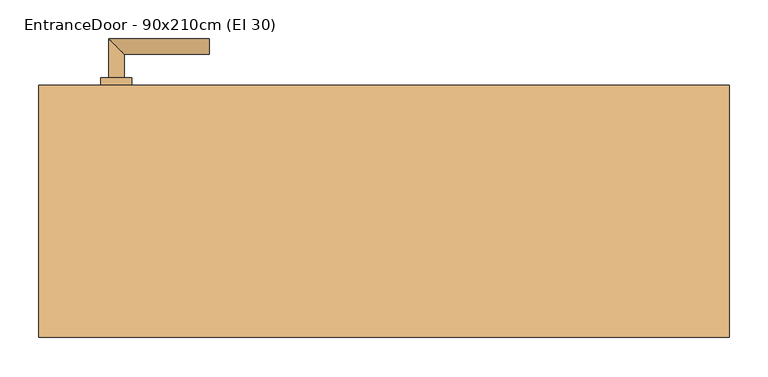
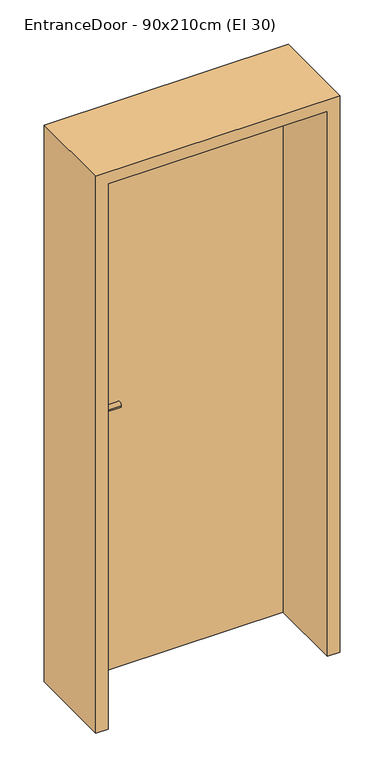
"""IFC4 building model written with IfcOpenShell, lengths in millimetres: door geometry, EntranceDoor - 90x210cm (EI 30)."""

from ifc_helpers import new_model, si_unit, point, frame, frame_2d, origin, origin_with_axes, place, context, project, spatial, polyline, circle_curve, ellipse_curve, trimmed, segment, composite_curve, outline, extrude, faceted_brep, source, transform, mapped, element, save
from ifc_brep_helpers import plane_surface, cylinder_surface, advanced_brep


def entrancedoor_90x210cm_ei_30_143cafc8(model_context):
    return source(origin(), model_context, "Body", "SolidModel", [
        extrude(outline(polyline([(411.0, 125.0), (411.0, 80.0), (-411.0, 80.0), (-411.0, 125.0), (411.0, 125.0)])), origin_with_axes(), (0.0, 0.0, 1.0), 2111.0),
        advanced_brep(
        [(-335.0, 135.0, 1050.0), (-355.0, 135.0, 1050.0), (-335.0, 165.0, 1050.0), (-355.0, 185.0, 1050.0), (-225.0, 165.0, 1050.0), (-225.0, 185.0, 1050.0)],
        [
            (0, 1, circle_curve(frame((-345.0, 135.0, 1050.0), z_axis=(0.0, -1.0, 0.0), x_axis=(-1.0, 0.0, 0.0)), 10.0)),
            (1, 0, circle_curve(frame((-345.0, 135.0, 1050.0), z_axis=(0.0, -1.0, 0.0), x_axis=(-1.0, 0.0, 0.0)), 10.0)),
            (0, 2),
            (2, 3, ellipse_curve(frame((-345.0, 175.0, 1050.0), z_axis=(-0.7071067811865531, -0.7071067811865419, 0.0), x_axis=(0.707106781186542, -0.707106781186553, 0.0)), 14.1421356, 10.0)),
            (3, 1),
            (3, 2, ellipse_curve(frame((-345.0, 175.0, 1050.0), z_axis=(-0.7071067811865531, -0.7071067811865419, 0.0), x_axis=(0.707106781186542, -0.707106781186553, 0.0)), 14.1421356, 10.0)),
            (4, 5, circle_curve(frame((-225.0, 175.0, 1050.0), z_axis=(1.0, 0.0, 0.0), x_axis=(0.0, 1.0, 0.0)), 10.0)),
            (5, 4, circle_curve(frame((-225.0, 175.0, 1050.0), z_axis=(1.0, 0.0, 0.0), x_axis=(0.0, 1.0, 0.0)), 10.0)),
            (2, 4),
            (5, 3),
        ],
        [
            plane_surface(frame((-345.0, 135.0, 1050.0), z_axis=(0.0, -1.0, 0.0), x_axis=(0.0, 0.0, 1.0))),
            cylinder_surface(frame((-345.0, 135.0, 1050.0), z_axis=(0.0, -1.0, 0.0), x_axis=(-1.0, 0.0, 0.0)), 10.0),
            plane_surface(frame((-225.0, 175.0, 1050.0), z_axis=(1.0, 0.0, 0.0), x_axis=(0.0, 0.0, 1.0))),
            cylinder_surface(frame((-345.0, 175.0, 1050.0), z_axis=(-1.0, 0.0, 0.0), x_axis=(0.0, 1.0, 0.0)), 10.0),
        ],
        [
            (0, [[1, 2]]),
            (1, [[-1, 3, 4, 5]]),
            (1, [[-2, -5, 6, -3]]),
            (2, [[7, 8]]),
            (3, [[-4, 9, -8, 10]]),
            (3, [[-6, -10, -7, -9]]),
        ],
    ),
        extrude(outline(composite_curve([segment(trimmed(circle_curve(frame_2d((990.0, -345.0)), 20.0), [point((990.0, -365.0))], [point((990.0, -325.0))], False, "CARTESIAN"), True, "CONTINUOUS"), segment(trimmed(circle_curve(frame_2d((990.0, -345.0)), 20.0), [point((990.0, -325.0))], [point((990.0, -365.0))], False, "CARTESIAN"), True, "CONTINUOUS")], self_intersect=False), holes=[composite_curve([segment(polyline([(976.4601385, -347.397268), (988.4749012, -347.397268)]), True, "CONTINUOUS"), segment(trimmed(circle_curve(frame_2d((995.0361633, -345.0)), 6.9854888), [point((988.4749012, -347.397268))], [point((988.4749012, -342.602732))], True, "CARTESIAN"), True, "CONTINUOUS"), segment(polyline([(988.4749012, -342.602732), (976.4601385, -342.602732)]), True, "CONTINUOUS"), segment(trimmed(circle_curve(frame_2d((976.4601385, -345.0)), 2.397268), [point((976.4601385, -342.602732))], [point((976.4601385, -347.397268))], True, "CARTESIAN"), True, "CONTINUOUS")], self_intersect=False)]), frame((0.0, 125.0, 0.0), z_axis=(0.0, 1.0, 0.0), x_axis=(0.0, 0.0, 1.0)), (0.0, 0.0, 1.0), 10.0),
        advanced_brep(
        [(-335.0, 135.0, 1050.0), (-355.0, 135.0, 1050.0), (-335.0, 165.0, 1050.0), (-355.0, 185.0, 1050.0), (-225.0, 165.0, 1050.0), (-225.0, 185.0, 1050.0)],
        [
            (0, 1, circle_curve(frame((-345.0, 135.0, 1050.0), z_axis=(0.0, -1.0, 0.0), x_axis=(-1.0, 0.0, 0.0)), 10.0)),
            (1, 0, circle_curve(frame((-345.0, 135.0, 1050.0), z_axis=(0.0, -1.0, 0.0), x_axis=(-1.0, 0.0, 0.0)), 10.0)),
            (0, 2),
            (2, 3, ellipse_curve(frame((-345.0, 175.0, 1050.0), z_axis=(-0.7071067811865537, -0.7071067811865414, 0.0), x_axis=(0.7071067811865414, -0.7071067811865536, 0.0)), 14.1421356, 10.0)),
            (3, 1),
            (3, 2, ellipse_curve(frame((-345.0, 175.0, 1050.0), z_axis=(-0.7071067811865537, -0.7071067811865414, 0.0), x_axis=(0.7071067811865414, -0.7071067811865536, 0.0)), 14.1421356, 10.0)),
            (4, 5, circle_curve(frame((-225.0, 175.0, 1050.0), z_axis=(1.0, 0.0, 0.0), x_axis=(0.0, 1.0, 0.0)), 10.0)),
            (5, 4, circle_curve(frame((-225.0, 175.0, 1050.0), z_axis=(1.0, 0.0, 0.0), x_axis=(0.0, 1.0, 0.0)), 10.0)),
            (2, 4),
            (5, 3),
        ],
        [
            plane_surface(frame((-345.0, 135.0, 1050.0), z_axis=(0.0, -1.0, 0.0), x_axis=(0.0, 0.0, 1.0))),
            cylinder_surface(frame((-345.0, 135.0, 1050.0), z_axis=(0.0, -1.0, 0.0), x_axis=(-1.0, 0.0, 0.0)), 10.0),
            plane_surface(frame((-225.0, 175.0, 1050.0), z_axis=(1.0, 0.0, 0.0), x_axis=(0.0, 0.0, 1.0))),
            cylinder_surface(frame((-345.0, 175.0, 1050.0), z_axis=(-1.0, 0.0, 0.0), x_axis=(0.0, 1.0, 0.0)), 10.0),
        ],
        [
            (0, [[1, 2]]),
            (1, [[-1, 3, 4, 5]]),
            (1, [[-2, -5, 6, -3]]),
            (2, [[7, 8]]),
            (3, [[-4, 9, -8, 10]]),
            (3, [[-6, -10, -7, -9]]),
        ],
    ),
        extrude(outline(composite_curve([segment(trimmed(circle_curve(frame_2d((1050.0, -345.0)), 20.0), [point((1050.0, -365.0))], [point((1050.0, -325.0))], False, "CARTESIAN"), True, "CONTINUOUS"), segment(trimmed(circle_curve(frame_2d((1050.0, -345.0)), 20.0), [point((1050.0, -325.0))], [point((1050.0, -365.0))], False, "CARTESIAN"), True, "CONTINUOUS")], self_intersect=False)), frame((0.0, 125.0, 0.0), z_axis=(0.0, 1.0, 0.0), x_axis=(0.0, 0.0, 1.0)), (0.0, 0.0, 1.0), 10.0),
        advanced_brep(
        [(-335.0, 70.0, 1050.0), (-355.0, 70.0, 1050.0), (-355.0, 20.0, 1050.0), (-335.0, 40.0, 1050.0), (-225.0, 40.0, 1050.0), (-225.0, 20.0, 1050.0)],
        [
            (0, 1, circle_curve(frame((-345.0, 70.0, 1050.0), z_axis=(0.0, 1.0, 0.0), x_axis=(-1.0, 0.0, 0.0)), 10.0)),
            (1, 0, circle_curve(frame((-345.0, 70.0, 1050.0), z_axis=(0.0, 1.0, 0.0), x_axis=(-1.0, 0.0, 0.0)), 10.0)),
            (1, 2),
            (2, 3, ellipse_curve(frame((-345.0, 30.0, 1050.0), z_axis=(-0.7071067811865486, 0.7071067811865464, 0.0), x_axis=(0.7071067811865464, 0.7071067811865488, 0.0)), 14.1421356, 10.0)),
            (3, 0),
            (3, 2, ellipse_curve(frame((-345.0, 30.0, 1050.0), z_axis=(-0.7071067811865486, 0.7071067811865464, 0.0), x_axis=(0.7071067811865464, 0.7071067811865488, 0.0)), 14.1421356, 10.0)),
            (4, 5, circle_curve(frame((-225.0, 30.0, 1050.0), z_axis=(1.0, 0.0, 0.0), x_axis=(0.0, -1.0, 0.0)), 10.0)),
            (5, 4, circle_curve(frame((-225.0, 30.0, 1050.0), z_axis=(1.0, 0.0, 0.0), x_axis=(0.0, -1.0, 0.0)), 10.0)),
            (2, 5),
            (4, 3),
        ],
        [
            plane_surface(frame((-345.0, 70.0, 1050.0), z_axis=(0.0, 1.0, 0.0), x_axis=(0.0, 0.0, 1.0))),
            cylinder_surface(frame((-345.0, 70.0, 1050.0), z_axis=(0.0, 1.0, 0.0), x_axis=(-1.0, 0.0, 0.0)), 10.0),
            plane_surface(frame((-225.0, 30.0, 1050.0), z_axis=(1.0, 0.0, 0.0), x_axis=(0.0, 0.0, 1.0))),
            cylinder_surface(frame((-345.0, 30.0, 1050.0), z_axis=(-1.0, 0.0, 0.0), x_axis=(0.0, -1.0, 0.0)), 10.0),
        ],
        [
            (0, [[1, 2]]),
            (1, [[3, 4, 5, -2]]),
            (1, [[-5, 6, -3, -1]]),
            (2, [[7, 8]]),
            (3, [[9, -7, 10, -4]]),
            (3, [[-10, -8, -9, -6]]),
        ],
    ),
        extrude(outline(composite_curve([segment(trimmed(circle_curve(frame_2d((990.0, -345.0)), 20.0), [point((990.0, -365.0))], [point((990.0, -325.0))], False, "CARTESIAN"), True, "CONTINUOUS"), segment(trimmed(circle_curve(frame_2d((990.0, -345.0)), 20.0), [point((990.0, -325.0))], [point((990.0, -365.0))], False, "CARTESIAN"), True, "CONTINUOUS")], self_intersect=False), holes=[composite_curve([segment(polyline([(976.4601385, -347.397268), (988.4749012, -347.397268)]), True, "CONTINUOUS"), segment(trimmed(circle_curve(frame_2d((995.0361633, -345.0)), 6.9854888), [point((988.4749012, -347.397268))], [point((988.4749012, -342.602732))], True, "CARTESIAN"), True, "CONTINUOUS"), segment(polyline([(988.4749012, -342.602732), (976.4601385, -342.602732)]), True, "CONTINUOUS"), segment(trimmed(circle_curve(frame_2d((976.4601385, -345.0)), 2.397268), [point((976.4601385, -342.602732))], [point((976.4601385, -347.397268))], True, "CARTESIAN"), True, "CONTINUOUS")], self_intersect=False)]), frame((0.0, 70.0, 0.0), z_axis=(0.0, 1.0, 0.0), x_axis=(0.0, 0.0, 1.0)), (0.0, 0.0, 1.0), 10.0),
        advanced_brep(
        [(-335.0, 70.0, 1050.0), (-355.0, 70.0, 1050.0), (-355.0, 20.0, 1050.0), (-335.0, 40.0, 1050.0), (-225.0, 40.0, 1050.0), (-225.0, 20.0, 1050.0)],
        [
            (0, 1, circle_curve(frame((-345.0, 70.0, 1050.0), z_axis=(0.0, 1.0, 0.0), x_axis=(-1.0, 0.0, 0.0)), 10.0)),
            (1, 0, circle_curve(frame((-345.0, 70.0, 1050.0), z_axis=(0.0, 1.0, 0.0), x_axis=(-1.0, 0.0, 0.0)), 10.0)),
            (1, 2),
            (2, 3, ellipse_curve(frame((-345.0, 30.0, 1050.0), z_axis=(-0.7071067811865491, 0.7071067811865459, 0.0), x_axis=(0.7071067811865458, 0.7071067811865492, 0.0)), 14.1421356, 10.0)),
            (3, 0),
            (3, 2, ellipse_curve(frame((-345.0, 30.0, 1050.0), z_axis=(-0.7071067811865491, 0.7071067811865459, 0.0), x_axis=(0.7071067811865458, 0.7071067811865492, 0.0)), 14.1421356, 10.0)),
            (4, 5, circle_curve(frame((-225.0, 30.0, 1050.0), z_axis=(1.0, 0.0, 0.0), x_axis=(0.0, -1.0, 0.0)), 10.0)),
            (5, 4, circle_curve(frame((-225.0, 30.0, 1050.0), z_axis=(1.0, 0.0, 0.0), x_axis=(0.0, -1.0, 0.0)), 10.0)),
            (2, 5),
            (4, 3),
        ],
        [
            plane_surface(frame((-345.0, 70.0, 1050.0), z_axis=(0.0, 1.0, 0.0), x_axis=(0.0, 0.0, 1.0))),
            cylinder_surface(frame((-345.0, 70.0, 1050.0), z_axis=(0.0, 1.0, 0.0), x_axis=(-1.0, 0.0, 0.0)), 10.0),
            plane_surface(frame((-225.0, 30.0, 1050.0), z_axis=(1.0, 0.0, 0.0), x_axis=(0.0, 0.0, 1.0))),
            cylinder_surface(frame((-345.0, 30.0, 1050.0), z_axis=(-1.0, 0.0, 0.0), x_axis=(0.0, -1.0, 0.0)), 10.0),
        ],
        [
            (0, [[1, 2]]),
            (1, [[3, 4, 5, -2]]),
            (1, [[-5, 6, -3, -1]]),
            (2, [[7, 8]]),
            (3, [[9, -7, 10, -4]]),
            (3, [[-10, -8, -9, -6]]),
        ],
    ),
        extrude(outline(composite_curve([segment(trimmed(circle_curve(frame_2d((1050.0, -345.0)), 20.0), [point((1050.0, -365.0))], [point((1050.0, -325.0))], False, "CARTESIAN"), True, "CONTINUOUS"), segment(trimmed(circle_curve(frame_2d((1050.0, -345.0)), 20.0), [point((1050.0, -325.0))], [point((1050.0, -365.0))], False, "CARTESIAN"), True, "CONTINUOUS")], self_intersect=False)), frame((0.0, 70.0, 0.0), z_axis=(0.0, 1.0, 0.0), x_axis=(0.0, 0.0, 1.0)), (0.0, 0.0, 1.0), 10.0),
        faceted_brep([(-415.0, 125.0, 0.0), (-415.0, 80.0, 0.0), (-400.0, 80.0, 0.0), (-400.0, -200.0, 0.0), (-445.0, -200.0, 0.0), (-445.0, 125.0, 0.0), (-445.0, 125.0, 2145.0), (445.0, 125.0, 2145.0), (445.0, 125.0, 0.0), (415.0, 125.0, 0.0), (415.0, 125.0, 2115.0), (-415.0, 125.0, 2115.0), (-445.0, -200.0, 2145.0), (-400.0, -200.0, 2100.0), (400.0, -200.0, 2100.0), (400.0, -200.0, 0.0), (445.0, -200.0, 0.0), (445.0, -200.0, 2145.0), (-400.0, 80.0, 2100.0), (-415.0, 80.0, 2115.0), (415.0, 80.0, 2115.0), (415.0, 80.0, 0.0), (400.0, 80.0, 0.0), (400.0, 80.0, 2100.0)], [[[0, 1, 2, 3, 4, 5]], [[0, 5, 6, 7, 8, 9, 10, 11]], [[5, 4, 12, 6]], [[4, 3, 13, 14, 15, 16, 17, 12]], [[3, 2, 18, 13]], [[2, 1, 19, 20, 21, 22, 23, 18]], [[1, 0, 11, 19]], [[20, 10, 9, 21]], [[9, 8, 16, 15, 22, 21]], [[7, 17, 16, 8]], [[14, 23, 22, 15]], [[6, 12, 17, 7]], [[13, 18, 23, 14]], [[19, 11, 10, 20]]]),
    ])


if __name__ == "__main__":
    model = new_model("IFC4")
    model_context = context("Model", 3, world=origin())
    ifc_project = project(units=[si_unit("LENGTHUNIT", "METRE", prefix="MILLI")], contexts=[model_context])
    site = spatial("IfcSite", under=ifc_project)
    building = spatial("IfcBuilding", under=site)
    placement = place(None, origin())
    entrancedoor_90x210cm_ei_30_shape = entrancedoor_90x210cm_ei_30_143cafc8(model_context)
    element("IfcDoor", 1, ObjectType="EntranceDoor - 90x210cm (EI 30)", at=placement, inside=building, context=model_context, shape_type="MappedRepresentation", body=[
        mapped(entrancedoor_90x210cm_ei_30_shape, transform((0.0, 0.0, 0.0), x_axis=(1.0, 0.0, 0.0), y_axis=(0.0, 1.0, 0.0), z_axis=(0.0, 0.0, 1.0))),
    ])
    save(model, "model.ifc")
